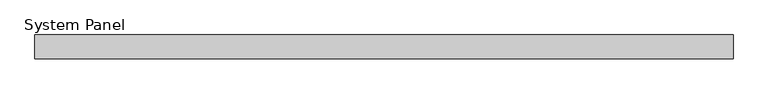
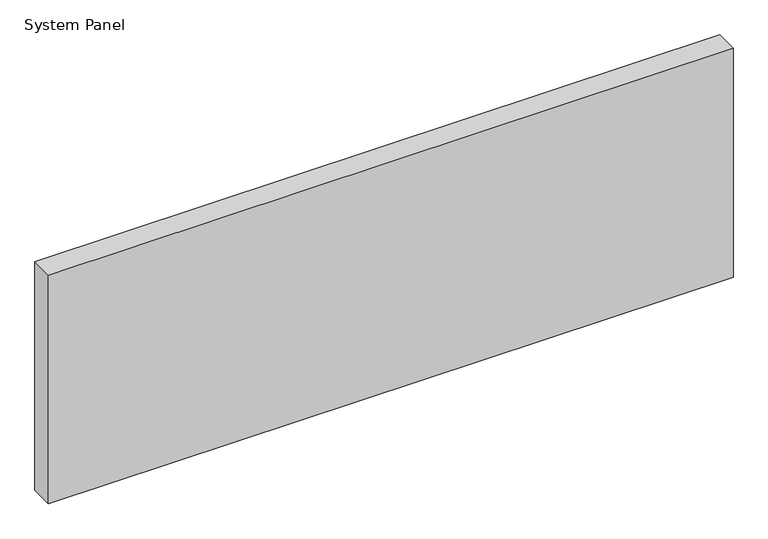
"""IFC4 building model written with IfcOpenShell, lengths in millimetres: plate geometry, System Panel."""

from ifc_helpers import new_model, si_unit, origin, origin_with_axes, place, context, project, spatial, polyline, outline, extrude, source, transform, mapped, element, save


def system_panel_1eb07dc1(model_context):
    return source(origin(), model_context, "Body", "SweptSolid", [
        extrude(outline(polyline([(587.5, 14.0), (-587.5, 14.0), (-587.5, 54.0), (587.5, 54.0), (587.5, 14.0)])), origin_with_axes(), (0.0, 0.0, 1.0), 415.0),
    ])


if __name__ == "__main__":
    model = new_model("IFC4")
    model_context = context("Model", 3, world=origin())
    ifc_project = project(units=[si_unit("LENGTHUNIT", "METRE", prefix="MILLI")], contexts=[model_context])
    site = spatial("IfcSite", under=ifc_project)
    building = spatial("IfcBuilding", under=site)
    placement = place(None, origin())
    system_panel_shape = system_panel_1eb07dc1(model_context)
    element("IfcPlate", 1, ObjectType="System Panel", at=placement, inside=building, context=model_context, shape_type="MappedRepresentation", body=[
        mapped(system_panel_shape, transform((0.0, 0.0, 0.0), x_axis=(1.0, 0.0, 0.0), y_axis=(0.0, 1.0, 0.0), z_axis=(0.0, 0.0, 1.0))),
    ])
    save(model, "model.ifc")
